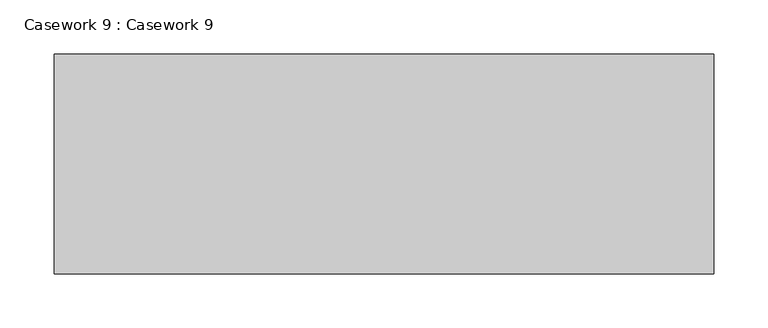
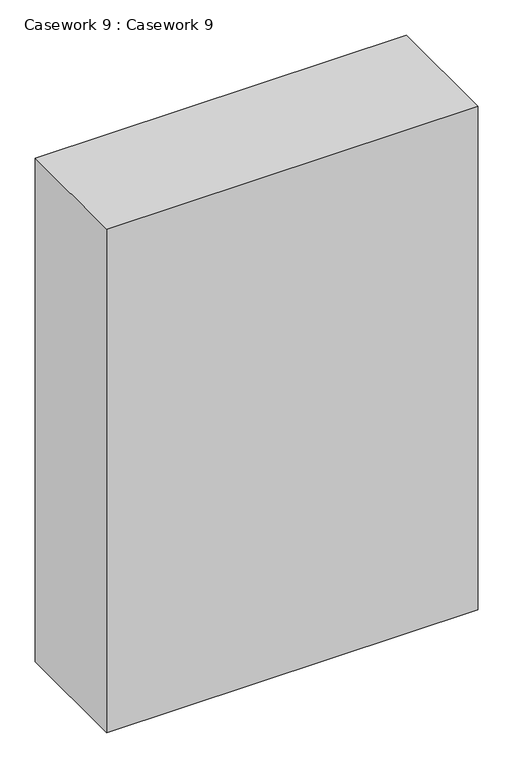
"""IFC4 building model written with IfcOpenShell, lengths in millimetres: furniture geometry, Casework 9 : Casework 9."""

from ifc_helpers import new_model, si_unit, frame, origin, place, context, project, spatial, polyline, outline, extrude, source, transform, mapped, element, save


def casework_9_casework_9_202bcf26(model_context):
    return source(origin(), model_context, "Body", "SweptSolid", [
        extrude(outline(polyline([(2399.0326638, 638.6935985), (3008.6326638, 638.6935985), (3008.6326638, 435.4935985), (2399.0326638, 435.4935985), (2399.0326638, 638.6935985)])), frame((0.0, 0.0, 3810.0), z_axis=(0.0, 0.0, 1.0), x_axis=(1.0, 0.0, 0.0)), (0.0, 0.0, 1.0), 874.0146438),
    ])


if __name__ == "__main__":
    model = new_model("IFC4")
    model_context = context("Model", 3, world=origin())
    ifc_project = project(units=[si_unit("LENGTHUNIT", "METRE", prefix="MILLI")], contexts=[model_context])
    site = spatial("IfcSite", under=ifc_project)
    building = spatial("IfcBuilding", under=site)
    placement = place(None, origin())
    casework_9_casework_9_shape = casework_9_casework_9_202bcf26(model_context)
    element("IfcFurniture", 1, ObjectType="Casework 9 : Casework 9", at=placement, inside=building, context=model_context, shape_type="MappedRepresentation", body=[
        mapped(casework_9_casework_9_shape, transform((0.0, 0.0, 0.0), x_axis=(1.0, 0.0, 0.0), y_axis=(0.0, 1.0, 0.0), z_axis=(0.0, 0.0, 1.0))),
    ])
    save(model, "model.ifc")
